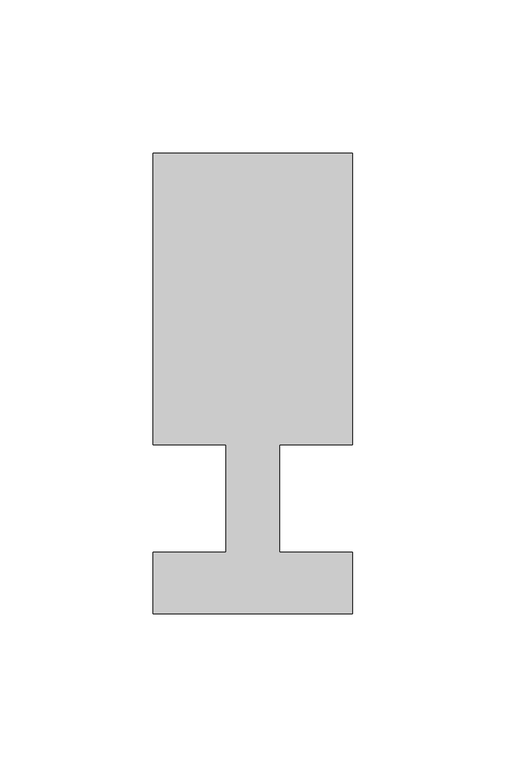
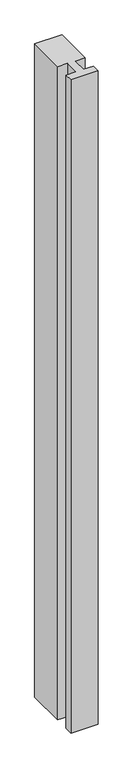
"""IFC4 building model written with IfcOpenShell, lengths in millimetres: member geometry."""

from ifc_helpers import new_model, si_unit, frame, origin, place, context, project, spatial, polyline, outline, extrude, source, transform, mapped, element, save


def member_0f269524(model_context):
    return source(origin(), model_context, "Body", "SweptSolid", [
        extrude(outline(polyline([(0.0, -37.0), (-65.0, -37.0), (-65.0, -17.0), (-41.1875, -17.0), (-41.1875, 18.0), (-65.0, 18.0), (-65.0, 113.0), (0.0, 113.0), (0.0, 18.0), (-23.8125, 18.0), (-23.8125, -17.0), (0.0, -17.0), (0.0, -37.0)])), frame((0.0, 0.0, -1650.0), z_axis=(0.0, 0.0, 1.0), x_axis=(1.0, 0.0, 0.0)), (0.0, 0.0, 1.0), 1650.0),
    ])


if __name__ == "__main__":
    model = new_model("IFC4")
    model_context = context("Model", 3, world=origin())
    ifc_project = project(units=[si_unit("LENGTHUNIT", "METRE", prefix="MILLI")], contexts=[model_context])
    site = spatial("IfcSite", under=ifc_project)
    building = spatial("IfcBuilding", under=site)
    placement = place(None, origin())
    member_shape = member_0f269524(model_context)
    element("IfcMember", 1, at=placement, inside=building, context=model_context, shape_type="MappedRepresentation", body=[
        mapped(member_shape, transform((0.0, 0.0, 0.0), x_axis=(1.0, 0.0, 0.0), y_axis=(0.0, 1.0, 0.0), z_axis=(0.0, 0.0, 1.0))),
    ])
    save(model, "model.ifc")
